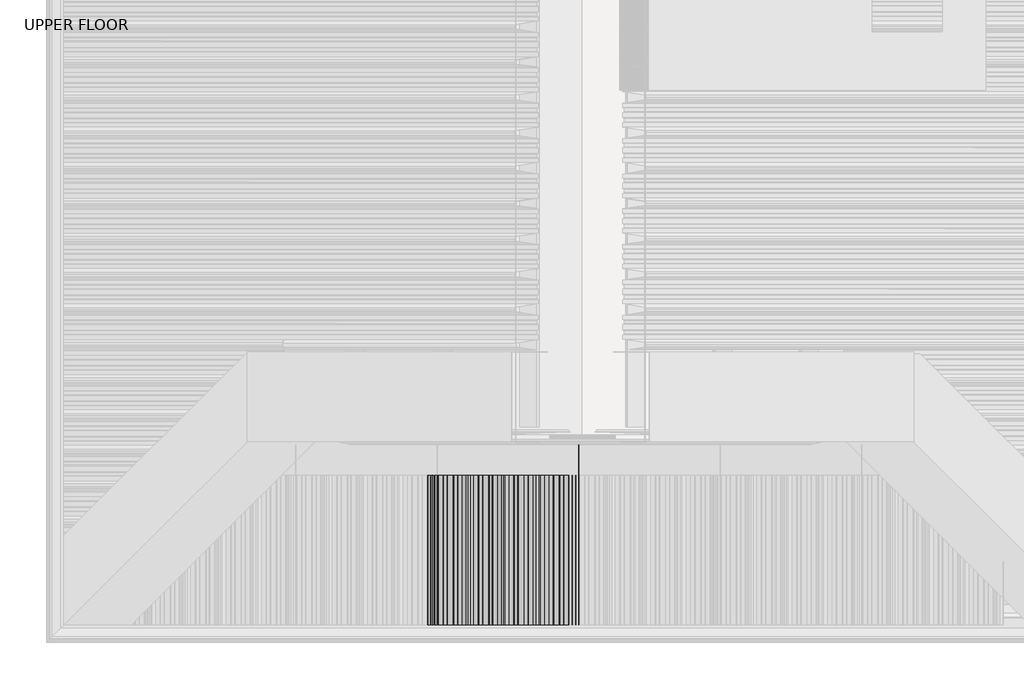
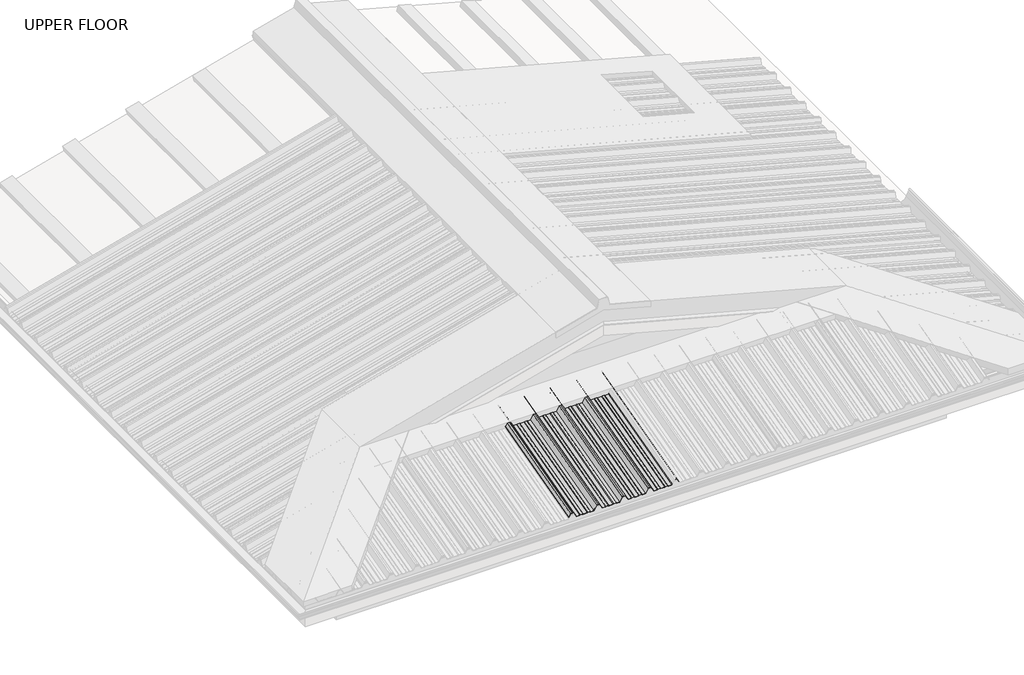
# One storey, part 7 of 21: 1 beam.
"""IFC4 building model written with IfcOpenShell, lengths in millimetres."""

from ifc_helpers import new_model, si_unit, frame, origin, place, context, project, spatial, circle_curve, ellipse_curve, element, save
from ifc_brep_helpers import plane_surface, cylinder_surface, advanced_brep

model = new_model("IFC4")

# Units and contexts
model_context = context("Model", 3, world=origin())
ifc_project = project(units=[si_unit("LENGTHUNIT", "METRE", prefix="MILLI")], contexts=[model_context])

# Site, building, storey
site = spatial("IfcSite", under=ifc_project)
building = spatial("IfcBuilding", under=site)
storey = spatial("IfcBuildingStorey", under=building, Name="UPPER FLOOR", Elevation=2700.0)

# Beam
placement = place(None, origin())
element("IfcBeam", 1, ObjectType="MC700", at=placement, inside=storey, context=model_context, shape_type="AdvancedBrep", body=[
    advanced_brep(
    [(1687.7151918, -3756.7074872, 3502.2532241), (1683.3348741, -3757.2355366, 3504.2239314), (1666.9068828, -3757.2355366, 3504.2239314), (1663.6918386, -3756.7074872, 3502.2532241), (1640.9942011, -3756.7074872, 3502.2532241), (1622.9196911, -3764.7308776, 3532.1969247), (1612.4942026, -3764.7308776, 3532.1969247), (1602.0687142, -3764.7308776, 3532.1969247), (1583.9942042, -3756.7074872, 3502.2532241), (1561.2965667, -3756.7074872, 3502.2532241), (1558.0815225, -3757.2355366, 3504.2239314), (1541.6535312, -3757.2355366, 3504.2239314), (1537.2732135, -3756.7074872, 3502.2532241), (1510.2151918, -3756.7074872, 3502.2532241), (1505.8348741, -3757.2355366, 3504.2239314), (1489.4068828, -3757.2355366, 3504.2239314), (1486.1918386, -3756.7074872, 3502.2532241), (1463.4942011, -3756.7074872, 3502.2532241), (1445.4196911, -3764.7308776, 3532.1969247), (1434.9942026, -3764.7308776, 3532.1969247), (1424.5687142, -3764.7308776, 3532.1969247), (1406.4942042, -3756.7074872, 3502.2532241), (1383.7965667, -3756.7074872, 3502.2532241), (1380.5815225, -3757.2355366, 3504.2239314), (1364.1535312, -3757.2355366, 3504.2239314), (1359.7732135, -3756.7074872, 3502.2532241), (1332.7151918, -3756.7074872, 3502.2532241), (1328.3348741, -3757.2355366, 3504.2239314), (1311.9068828, -3757.2355366, 3504.2239314), (1308.6918386, -3756.7074872, 3502.2532241), (1285.9942011, -3756.7074872, 3502.2532241), (1267.9196911, -3764.7308776, 3532.1969247), (1257.4942026, -3764.7308776, 3532.1969247), (1247.0687142, -3764.7308776, 3532.1969247), (1234.7658996, -3759.2695796, 3511.8150832), (1233.9020137, -3759.3999436, 3512.301608), (1246.4942026, -3764.9896966, 3533.1628505), (1257.4942026, -3764.9896966, 3533.1628505), (1268.4942026, -3764.9896966, 3533.1628505), (1286.5687126, -3756.9663062, 3503.2191499), (1308.4013241, -3756.9663062, 3503.2191499), (1311.6163683, -3757.4943557, 3505.1898572), (1328.5563376, -3757.4943557, 3505.1898572), (1332.9366553, -3756.9663062, 3503.2191499), (1359.55175, -3756.9663062, 3503.2191499), (1363.9320677, -3757.4943557, 3505.1898572), (1380.872037, -3757.4943557, 3505.1898572), (1384.0870812, -3756.9663062, 3503.2191499), (1405.9196927, -3756.9663062, 3503.2191499), (1423.9942026, -3764.9896966, 3533.1628505), (1434.9942026, -3764.9896966, 3533.1628505), (1445.9942026, -3764.9896966, 3533.1628505), (1464.0687126, -3756.9663062, 3503.2191499), (1485.9013241, -3756.9663062, 3503.2191499), (1489.1163683, -3757.4943557, 3505.1898572), (1506.0563376, -3757.4943557, 3505.1898572), (1510.4366553, -3756.9663062, 3503.2191499), (1537.05175, -3756.9663062, 3503.2191499), (1541.4320677, -3757.4943557, 3505.1898572), (1558.372037, -3757.4943557, 3505.1898572), (1561.5870812, -3756.9663062, 3503.2191499), (1583.4196927, -3756.9663062, 3503.2191499), (1601.4942026, -3764.9896966, 3533.1628505), (1612.4942026, -3764.9896966, 3533.1628505), (1623.4942026, -3764.9896966, 3533.1628505), (1641.5687126, -3756.9663062, 3503.2191499), (1663.4013241, -3756.9663062, 3503.2191499), (1666.6163683, -3757.4943557, 3505.1898572), (1683.5563376, -3757.4943557, 3505.1898572), (1687.9366553, -3756.9663062, 3503.2191499), (1714.55175, -3756.9663062, 3503.2191499), (1718.9320677, -3757.4943557, 3505.1898572), (1735.872037, -3757.4943557, 3505.1898572), (1739.0870812, -3756.9663062, 3503.2191499), (1760.9196927, -3756.9663062, 3503.2191499), (1778.9942026, -3764.9896966, 3533.1628505), (1789.9942026, -3764.9896966, 3533.1628505), (1800.9942026, -3764.9896966, 3533.1628505), (1819.0687126, -3756.9663062, 3503.2191499), (1840.9013241, -3756.9663062, 3503.2191499), (1844.1163683, -3757.4943557, 3505.1898572), (1861.0563376, -3757.4943557, 3505.1898572), (1865.4366553, -3756.9663062, 3503.2191499), (1892.05175, -3756.9663062, 3503.2191499), (1896.4320677, -3757.4943557, 3505.1898572), (1913.372037, -3757.4943557, 3505.1898572), (1916.5870812, -3756.9663062, 3503.2191499), (1940.7348132, -3756.9663062, 3503.2191499), (1957.6432258, -3764.4720586, 3531.2309989), (1977.3451795, -3764.4720586, 3531.2309989), (1991.7906953, -3758.0596019, 3507.2993847), (1990.9268094, -3757.9292379, 3506.8128599), (1976.7706679, -3764.2132395, 3530.265073), (1958.2177374, -3764.2132395, 3530.265073), (1941.3093248, -3756.7074872, 3502.2532241), (1916.2965667, -3756.7074872, 3502.2532241), (1913.0815225, -3757.2355366, 3504.2239314), (1896.6535312, -3757.2355366, 3504.2239314), (1892.2732135, -3756.7074872, 3502.2532241), (1865.2151918, -3756.7074872, 3502.2532241), (1860.8348741, -3757.2355366, 3504.2239314), (1844.4068828, -3757.2355366, 3504.2239314), (1841.1918386, -3756.7074872, 3502.2532241), (1818.4942011, -3756.7074872, 3502.2532241), (1800.4196911, -3764.7308776, 3532.1969247), (1789.9942026, -3764.7308776, 3532.1969247), (1779.5687142, -3764.7308776, 3532.1969247), (1761.4942042, -3756.7074872, 3502.2532241), (1738.7965667, -3756.7074872, 3502.2532241), (1735.5815225, -3757.2355366, 3504.2239314), (1719.1535312, -3757.2355366, 3504.2239314), (1714.7732135, -3756.7074872, 3502.2532241), (1687.7151918, -4660.4975954, 3260.0833945), (1683.3348741, -4660.4975954, 3262.1955922), (1666.9068828, -4660.4975954, 3262.1955922), (1663.6918386, -4660.4975954, 3260.0833945), (1640.9942011, -4660.4975954, 3260.0833945), (1622.9196911, -4660.4975954, 3292.176956), (1612.4942026, -4660.4975954, 3292.176956), (1602.0687142, -4660.4975954, 3292.176956), (1583.9942042, -4660.4975954, 3260.0833945), (1561.2965667, -4660.4975954, 3260.0833945), (1558.0815225, -4660.4975954, 3262.1955922), (1541.6535312, -4660.4975954, 3262.1955922), (1537.2732135, -4660.4975954, 3260.0833945), (1510.2151918, -4660.4975954, 3260.0833945), (1505.8348741, -4660.4975954, 3262.1955922), (1489.4068828, -4660.4975954, 3262.1955922), (1486.1918386, -4660.4975954, 3260.0833945), (1463.4942011, -4660.4975954, 3260.0833945), (1445.4196911, -4660.4975954, 3292.176956), (1434.9942026, -4660.4975954, 3292.176956), (1424.5687142, -4660.4975954, 3292.176956), (1406.4942042, -4660.4975954, 3260.0833945), (1383.7965667, -4660.4975954, 3260.0833945), (1380.5815225, -4660.4975954, 3262.1955922), (1364.1535312, -4660.4975954, 3262.1955922), (1359.7732135, -4660.4975954, 3260.0833945), (1332.7151918, -4660.4975954, 3260.0833945), (1328.3348741, -4660.4975954, 3262.1955922), (1311.9068828, -4660.4975954, 3262.1955922), (1308.6918386, -4660.4975954, 3260.0833945), (1285.9942011, -4660.4975954, 3260.0833945), (1267.9196911, -4660.4975954, 3292.176956), (1257.4942026, -4660.4975954, 3292.176956), (1247.0687142, -4660.4975954, 3292.176956), (1234.7658996, -4660.4975954, 3270.3317642), (1233.9020137, -4660.4975954, 3270.8532199), (1246.4942026, -4660.4975954, 3293.2122322), (1257.4942026, -4660.4975954, 3293.2122322), (1268.4942026, -4660.4975954, 3293.2122322), (1286.5687126, -4660.4975954, 3261.1186706), (1308.4013241, -4660.4975954, 3261.1186706), (1311.6163683, -4660.4975954, 3263.2308683), (1328.5563376, -4660.4975954, 3263.2308683), (1332.9366553, -4660.4975954, 3261.1186706), (1359.55175, -4660.4975954, 3261.1186706), (1363.9320677, -4660.4975954, 3263.2308683), (1380.872037, -4660.4975954, 3263.2308683), (1384.0870812, -4660.4975954, 3261.1186706), (1405.9196927, -4660.4975954, 3261.1186706), (1423.9942026, -4660.4975954, 3293.2122322), (1434.9942026, -4660.4975954, 3293.2122322), (1445.9942026, -4660.4975954, 3293.2122322), (1464.0687126, -4660.4975954, 3261.1186706), (1485.9013241, -4660.4975954, 3261.1186706), (1489.1163683, -4660.4975954, 3263.2308683), (1506.0563376, -4660.4975954, 3263.2308683), (1510.4366553, -4660.4975954, 3261.1186706), (1537.05175, -4660.4975954, 3261.1186706), (1541.4320677, -4660.4975954, 3263.2308683), (1558.372037, -4660.4975954, 3263.2308683), (1561.5870812, -4660.4975954, 3261.1186706), (1583.4196927, -4660.4975954, 3261.1186706), (1601.4942026, -4660.4975954, 3293.2122322), (1612.4942026, -4660.4975954, 3293.2122322), (1623.4942026, -4660.4975954, 3293.2122322), (1641.5687126, -4660.4975954, 3261.1186706), (1663.4013241, -4660.4975954, 3261.1186706), (1666.6163683, -4660.4975954, 3263.2308683), (1683.5563376, -4660.4975954, 3263.2308683), (1687.9366553, -4660.4975954, 3261.1186706), (1714.55175, -4660.4975954, 3261.1186706), (1718.9320677, -4660.4975954, 3263.2308683), (1735.872037, -4660.4975954, 3263.2308683), (1739.0870812, -4660.4975954, 3261.1186706), (1760.9196927, -4660.4975954, 3261.1186706), (1778.9942026, -4660.4975954, 3293.2122322), (1789.9942026, -4660.4975954, 3293.2122322), (1800.9942026, -4660.4975954, 3293.2122322), (1819.0687126, -4660.4975954, 3261.1186706), (1840.9013241, -4660.4975954, 3261.1186706), (1844.1163683, -4660.4975954, 3263.2308683), (1861.0563376, -4660.4975954, 3263.2308683), (1865.4366553, -4660.4975954, 3261.1186706), (1892.05175, -4660.4975954, 3261.1186706), (1896.4320677, -4660.4975954, 3263.2308683), (1913.372037, -4660.4975954, 3263.2308683), (1916.5870812, -4660.4975954, 3261.1186706), (1940.7348132, -4660.4975954, 3261.1186706), (1957.6432258, -4660.4975954, 3291.1416799), (1977.3451795, -4660.4975954, 3291.1416799), (1991.7906953, -4660.4975954, 3265.4918531), (1990.9268094, -4660.4975954, 3264.9703974), (1976.7706679, -4660.4975954, 3290.1064037), (1958.2177374, -4660.4975954, 3290.1064037), (1941.3093248, -4660.4975954, 3260.0833945), (1916.2965667, -4660.4975954, 3260.0833945), (1913.0815225, -4660.4975954, 3262.1955922), (1896.6535312, -4660.4975954, 3262.1955922), (1892.2732135, -4660.4975954, 3260.0833945), (1865.2151918, -4660.4975954, 3260.0833945), (1860.8348741, -4660.4975954, 3262.1955922), (1844.4068828, -4660.4975954, 3262.1955922), (1841.1918386, -4660.4975954, 3260.0833945), (1818.4942011, -4660.4975954, 3260.0833945), (1800.4196911, -4660.4975954, 3292.176956), (1789.9942026, -4660.4975954, 3292.176956), (1779.5687142, -4660.4975954, 3292.176956), (1761.4942042, -4660.4975954, 3260.0833945), (1738.7965667, -4660.4975954, 3260.0833945), (1735.5815225, -4660.4975954, 3262.1955922), (1719.1535312, -4660.4975954, 3262.1955922), (1714.7732135, -4660.4975954, 3260.0833945)],
    [
        (0, 1),
        (1, 2),
        (2, 3),
        (3, 4),
        (4, 5),
        (5, 6),
        (6, 7),
        (7, 8),
        (8, 9),
        (9, 10),
        (10, 11),
        (11, 12),
        (12, 13),
        (13, 14),
        (14, 15),
        (15, 16),
        (16, 17),
        (17, 18),
        (18, 19),
        (19, 20),
        (20, 21),
        (21, 22),
        (22, 23),
        (23, 24),
        (24, 25),
        (25, 26),
        (26, 27),
        (27, 28),
        (28, 29),
        (29, 30),
        (30, 31),
        (31, 32),
        (32, 33),
        (33, 34),
        (34, 35, circle_curve(frame((1234.3339567, -3759.3347616, 3512.0583456), z_axis=(0.0, 0.9659258262890683, 0.2588190451025206), x_axis=(-1.0000000000000002, 0.0, 0.0)), 0.5)),
        (35, 36),
        (36, 37),
        (37, 38),
        (38, 39),
        (39, 40),
        (40, 41),
        (41, 42),
        (42, 43),
        (43, 44),
        (44, 45),
        (45, 46),
        (46, 47),
        (47, 48),
        (48, 49),
        (49, 50),
        (50, 51),
        (51, 52),
        (52, 53),
        (53, 54),
        (54, 55),
        (55, 56),
        (56, 57),
        (57, 58),
        (58, 59),
        (59, 60),
        (60, 61),
        (61, 62),
        (62, 63),
        (63, 64),
        (64, 65),
        (65, 66),
        (66, 67),
        (67, 68),
        (68, 69),
        (69, 70),
        (70, 71),
        (71, 72),
        (72, 73),
        (73, 74),
        (74, 75),
        (75, 76),
        (76, 77),
        (77, 78),
        (78, 79),
        (79, 80),
        (80, 81),
        (81, 82),
        (82, 83),
        (83, 84),
        (84, 85),
        (85, 86),
        (86, 87),
        (87, 88),
        (88, 89),
        (89, 90),
        (90, 91, circle_curve(frame((1991.3587523, -3757.9944199, 3507.0561223), z_axis=(0.0, 0.9659258262890683, 0.2588190451025206), x_axis=(-1.0000000000000002, 0.0, 0.0)), 0.5)),
        (91, 92),
        (92, 93),
        (93, 94),
        (94, 95),
        (95, 96),
        (96, 97),
        (97, 98),
        (98, 99),
        (99, 100),
        (100, 101),
        (101, 102),
        (102, 103),
        (103, 104),
        (104, 105),
        (105, 106),
        (106, 107),
        (107, 108),
        (108, 109),
        (109, 110),
        (110, 111),
        (111, 0),
        (0, 112),
        (112, 113),
        (113, 1),
        (113, 114),
        (114, 2),
        (114, 115),
        (115, 3),
        (115, 116),
        (116, 4),
        (116, 117),
        (117, 5),
        (117, 118),
        (118, 6),
        (118, 119),
        (119, 7),
        (119, 120),
        (120, 8),
        (120, 121),
        (121, 9),
        (121, 122),
        (122, 10),
        (122, 123),
        (123, 11),
        (123, 124),
        (124, 12),
        (124, 125),
        (125, 13),
        (125, 126),
        (126, 14),
        (126, 127),
        (127, 15),
        (127, 128),
        (128, 16),
        (128, 129),
        (129, 17),
        (129, 130),
        (130, 18),
        (130, 131),
        (131, 19),
        (131, 132),
        (132, 20),
        (132, 133),
        (133, 21),
        (133, 134),
        (134, 22),
        (134, 135),
        (135, 23),
        (135, 136),
        (136, 24),
        (136, 137),
        (137, 25),
        (137, 138),
        (138, 26),
        (138, 139),
        (139, 27),
        (139, 140),
        (140, 28),
        (140, 141),
        (141, 29),
        (141, 142),
        (142, 30),
        (142, 143),
        (143, 31),
        (143, 144),
        (144, 32),
        (144, 145),
        (145, 33),
        (145, 146),
        (146, 34),
        (146, 147, ellipse_curve(frame((1234.3339567, -4660.4975954, 3270.5924921), z_axis=(0.0, 1.0, 0.0), x_axis=(0.0, 0.0, 1.0)), 0.5176381, 0.5)),
        (147, 35),
        (147, 148),
        (148, 36),
        (148, 149),
        (149, 37),
        (149, 150),
        (150, 38),
        (150, 151),
        (151, 39),
        (151, 152),
        (152, 40),
        (152, 153),
        (153, 41),
        (153, 154),
        (154, 42),
        (154, 155),
        (155, 43),
        (155, 156),
        (156, 44),
        (156, 157),
        (157, 45),
        (157, 158),
        (158, 46),
        (158, 159),
        (159, 47),
        (159, 160),
        (160, 48),
        (160, 161),
        (161, 49),
        (161, 162),
        (162, 50),
        (162, 163),
        (163, 51),
        (163, 164),
        (164, 52),
        (164, 165),
        (165, 53),
        (165, 166),
        (166, 54),
        (166, 167),
        (167, 55),
        (167, 168),
        (168, 56),
        (168, 169),
        (169, 57),
        (169, 170),
        (170, 58),
        (170, 171),
        (171, 59),
        (171, 172),
        (172, 60),
        (172, 173),
        (173, 61),
        (173, 174),
        (174, 62),
        (174, 175),
        (175, 63),
        (175, 176),
        (176, 64),
        (176, 177),
        (177, 65),
        (177, 178),
        (178, 66),
        (178, 179),
        (179, 67),
        (179, 180),
        (180, 68),
        (180, 181),
        (181, 69),
        (181, 182),
        (182, 70),
        (182, 183),
        (183, 71),
        (183, 184),
        (184, 72),
        (184, 185),
        (185, 73),
        (185, 186),
        (186, 74),
        (186, 187),
        (187, 75),
        (187, 188),
        (188, 76),
        (188, 189),
        (189, 77),
        (189, 190),
        (190, 78),
        (190, 191),
        (191, 79),
        (191, 192),
        (192, 80),
        (192, 193),
        (193, 81),
        (193, 194),
        (194, 82),
        (194, 195),
        (195, 83),
        (195, 196),
        (196, 84),
        (196, 197),
        (197, 85),
        (197, 198),
        (198, 86),
        (198, 199),
        (199, 87),
        (199, 200),
        (200, 88),
        (200, 201),
        (201, 89),
        (201, 202),
        (202, 90),
        (202, 203, ellipse_curve(frame((1991.3587523, -4660.4975954, 3265.2311252), z_axis=(0.0, 1.0, 0.0), x_axis=(0.0, 0.0, 1.0)), 0.5176381, 0.5)),
        (203, 91),
        (203, 204),
        (204, 92),
        (204, 205),
        (205, 93),
        (205, 206),
        (206, 94),
        (206, 207),
        (207, 95),
        (207, 208),
        (208, 96),
        (208, 209),
        (209, 97),
        (209, 210),
        (210, 98),
        (210, 211),
        (211, 99),
        (211, 212),
        (212, 100),
        (212, 213),
        (213, 101),
        (213, 214),
        (214, 102),
        (214, 215),
        (215, 103),
        (215, 216),
        (216, 104),
        (216, 217),
        (217, 105),
        (217, 218),
        (218, 106),
        (218, 219),
        (219, 107),
        (219, 220),
        (220, 108),
        (220, 221),
        (221, 109),
        (221, 222),
        (222, 110),
        (222, 223),
        (223, 111),
        (223, 112),
    ],
    [
        plane_surface(frame((1687.7151918, -3756.7074872, 3502.2532241), z_axis=(0.0, 0.9659258262890685, 0.25881904510252035), x_axis=(-0.9064939238095152, -0.10927828227881019, 0.40783210162838035))),
        plane_surface(frame((1687.7151918, -3756.7074872, 3502.2532241), z_axis=(-0.42221886042244594, 0.2346178917516165, -0.8756058923817255), x_axis=(0.0, -0.9659258262890683, -0.2588190451025206))),
        plane_surface(frame((1683.3348741, -3757.2355366, 3504.2239314), z_axis=(0.0, 0.2588190451025206, -0.9659258262890683), x_axis=(0.0, -0.9659258262890683, -0.2588190451025206))),
        plane_surface(frame((1666.9068828, -3757.2355366, 3504.2239314), z_axis=(0.5358075541289592, 0.2185313076918755, -0.8155699433505511), x_axis=(0.0, -0.9659258262890683, -0.2588190451025206))),
        plane_surface(frame((1663.6918386, -3756.7074872, 3502.2532241), z_axis=(0.0, 0.2588190451025206, -0.9659258262890683), x_axis=(0.0, -0.9659258262890683, -0.2588190451025206))),
        plane_surface(frame((1640.9942011, -3756.7074872, 3502.2532241), z_axis=(-0.8638858976217886, 0.13036393274178826, -0.4865248204668401), x_axis=(0.0, -0.9659258262890683, -0.2588190451025206))),
        plane_surface(frame((1622.9196911, -3764.7308776, 3532.1969247), z_axis=(0.0, 0.2588190451025206, -0.9659258262890683), x_axis=(0.0, -0.9659258262890683, -0.2588190451025206))),
        plane_surface(frame((1612.4942026, -3764.7308776, 3532.1969247), z_axis=(0.0, 0.2588190451025206, -0.9659258262890683), x_axis=(0.0, -0.9659258262890683, -0.2588190451025206))),
        plane_surface(frame((1602.0687142, -3764.7308776, 3532.1969247), z_axis=(0.8638858976217945, 0.13036393274178268, -0.4865248204668312), x_axis=(0.0, -0.9659258262890683, -0.2588190451025206))),
        plane_surface(frame((1583.9942042, -3756.7074872, 3502.2532241), z_axis=(0.0, 0.2588190451025206, -0.9659258262890683), x_axis=(0.0, -0.9659258262890683, -0.2588190451025206))),
        plane_surface(frame((1561.2965667, -3756.7074872, 3502.2532241), z_axis=(-0.5358075541289464, 0.21853130769187948, -0.8155699433505585), x_axis=(0.0, -0.9659258262890683, -0.2588190451025206))),
        plane_surface(frame((1558.0815225, -3757.2355366, 3504.2239314), z_axis=(0.0, 0.2588190451025206, -0.9659258262890683), x_axis=(0.0, -0.9659258262890683, -0.2588190451025206))),
        plane_surface(frame((1541.6535312, -3757.2355366, 3504.2239314), z_axis=(0.42221886042244317, 0.23461789175161535, -0.8756058923817271), x_axis=(0.0, -0.9659258262890683, -0.2588190451025206))),
        plane_surface(frame((1537.2732135, -3756.7074872, 3502.2532241), z_axis=(0.0, 0.2588190451025206, -0.9659258262890683), x_axis=(0.0, -0.9659258262890683, -0.2588190451025206))),
        plane_surface(frame((1510.2151918, -3756.7074872, 3502.2532241), z_axis=(-0.42221886042244317, 0.23461789175161676, -0.8756058923817267), x_axis=(0.0, -0.9659258262890683, -0.2588190451025206))),
        plane_surface(frame((1505.8348741, -3757.2355366, 3504.2239314), z_axis=(0.0, 0.2588190451025206, -0.9659258262890683), x_axis=(0.0, -0.9659258262890683, -0.2588190451025206))),
        plane_surface(frame((1489.4068828, -3757.2355366, 3504.2239314), z_axis=(0.5358075541289593, 0.21853130769187554, -0.8155699433505511), x_axis=(0.0, -0.9659258262890683, -0.2588190451025206))),
        plane_surface(frame((1486.1918386, -3756.7074872, 3502.2532241), z_axis=(0.0, 0.2588190451025206, -0.9659258262890683), x_axis=(0.0, -0.9659258262890683, -0.2588190451025206))),
        plane_surface(frame((1463.4942011, -3756.7074872, 3502.2532241), z_axis=(-0.8638858976217886, 0.1303639327417882, -0.4865248204668401), x_axis=(0.0, -0.9659258262890683, -0.2588190451025206))),
        plane_surface(frame((1445.4196911, -3764.7308776, 3532.1969247), z_axis=(0.0, 0.2588190451025206, -0.9659258262890683), x_axis=(0.0, -0.9659258262890683, -0.2588190451025206))),
        plane_surface(frame((1434.9942026, -3764.7308776, 3532.1969247), z_axis=(0.0, 0.2588190451025206, -0.9659258262890683), x_axis=(0.0, -0.9659258262890683, -0.2588190451025206))),
        plane_surface(frame((1424.5687142, -3764.7308776, 3532.1969247), z_axis=(0.8638858976217945, 0.13036393274178276, -0.4865248204668313), x_axis=(0.0, -0.9659258262890683, -0.2588190451025206))),
        plane_surface(frame((1406.4942042, -3756.7074872, 3502.2532241), z_axis=(0.0, 0.2588190451025206, -0.9659258262890683), x_axis=(0.0, -0.9659258262890683, -0.2588190451025206))),
        plane_surface(frame((1383.7965667, -3756.7074872, 3502.2532241), z_axis=(-0.53580755412894, 0.21853130769188048, -0.8155699433505624), x_axis=(0.0, -0.9659258262890683, -0.2588190451025206))),
        plane_surface(frame((1380.5815225, -3757.2355366, 3504.2239314), z_axis=(0.0, 0.2588190451025206, -0.9659258262890683), x_axis=(0.0, -0.9659258262890683, -0.2588190451025206))),
        plane_surface(frame((1364.1535312, -3757.2355366, 3504.2239314), z_axis=(0.42221886042244033, 0.23461789175161574, -0.8756058923817285), x_axis=(0.0, -0.9659258262890683, -0.2588190451025206))),
        plane_surface(frame((1359.7732135, -3756.7074872, 3502.2532241), z_axis=(0.0, 0.2588190451025206, -0.9659258262890683), x_axis=(0.0, -0.9659258262890683, -0.2588190451025206))),
        plane_surface(frame((1332.7151918, -3756.7074872, 3502.2532241), z_axis=(-0.42221886042244317, 0.23461789175161682, -0.8756058923817267), x_axis=(0.0, -0.9659258262890683, -0.2588190451025206))),
        plane_surface(frame((1328.3348741, -3757.2355366, 3504.2239314), z_axis=(0.0, 0.2588190451025206, -0.9659258262890683), x_axis=(0.0, -0.9659258262890683, -0.2588190451025206))),
        plane_surface(frame((1311.9068828, -3757.2355366, 3504.2239314), z_axis=(0.5358075541289592, 0.21853130769187545, -0.8155699433505511), x_axis=(0.0, -0.9659258262890683, -0.2588190451025206))),
        plane_surface(frame((1308.6918386, -3756.7074872, 3502.2532241), z_axis=(0.0, 0.2588190451025206, -0.9659258262890683), x_axis=(0.0, -0.9659258262890683, -0.2588190451025206))),
        plane_surface(frame((1285.9942011, -3756.7074872, 3502.2532241), z_axis=(-0.8638858976217886, 0.1303639327417882, -0.4865248204668401), x_axis=(0.0, -0.9659258262890683, -0.2588190451025206))),
        plane_surface(frame((1267.9196911, -3764.7308776, 3532.1969247), z_axis=(0.0, 0.2588190451025206, -0.9659258262890683), x_axis=(0.0, -0.9659258262890683, -0.2588190451025206))),
        plane_surface(frame((1257.4942026, -3764.7308776, 3532.1969247), z_axis=(0.0, 0.2588190451025205, -0.9659258262890683), x_axis=(0.0, -0.9659258262890683, -0.2588190451025205))),
        plane_surface(frame((1247.0687142, -3764.7308776, 3532.1969247), z_axis=(0.863885897621789, 0.13036393274178507, -0.48652482046684037), x_axis=(0.0, -0.9659258262890683, -0.2588190451025206))),
        cylinder_surface(frame((1234.3339567, -4672.135119, 3267.474227), z_axis=(0.0, 0.9659258262890683, 0.2588190451025206), x_axis=(-1.0000000000000002, 0.0, 0.0)), 0.5),
        plane_surface(frame((1233.9020137, -3759.3999436, 3512.301608), z_axis=(-0.8638858976218092, -0.1303639327417763, 0.48652482046680706), x_axis=(0.0, -0.9659258262890683, -0.25881904510252063))),
        plane_surface(frame((1246.4942026, -3764.9896966, 3533.1628505), z_axis=(0.0, -0.2588190451025205, 0.9659258262890683), x_axis=(0.0, -0.9659258262890683, -0.2588190451025205))),
        plane_surface(frame((1257.4942026, -3764.9896966, 3533.1628505), z_axis=(0.0, -0.2588190451025206, 0.9659258262890683), x_axis=(0.0, -0.9659258262890683, -0.2588190451025206))),
        plane_surface(frame((1268.4942026, -3764.9896966, 3533.1628505), z_axis=(0.8638858976217886, -0.13036393274178834, 0.48652482046684004), x_axis=(0.0, -0.9659258262890683, -0.25881904510252063))),
        plane_surface(frame((1286.5687126, -3756.9663062, 3503.2191499), z_axis=(0.0, -0.2588190451025206, 0.9659258262890683), x_axis=(0.0, -0.9659258262890683, -0.2588190451025206))),
        plane_surface(frame((1308.4013241, -3756.9663062, 3503.2191499), z_axis=(-0.5358075541289432, -0.21853130769187817, 0.8155699433505609), x_axis=(0.0, -0.9659258262890683, -0.2588190451025206))),
        plane_surface(frame((1311.6163683, -3757.4943557, 3505.1898572), z_axis=(0.0, -0.2588190451025206, 0.9659258262890683), x_axis=(0.0, -0.9659258262890683, -0.2588190451025206))),
        plane_surface(frame((1328.5563376, -3757.4943557, 3505.1898572), z_axis=(0.42221886042244605, -0.2346178917516165, 0.8756058923817254), x_axis=(0.0, -0.9659258262890683, -0.25881904510252063))),
        plane_surface(frame((1332.9366553, -3756.9663062, 3503.2191499), z_axis=(0.0, -0.2588190451025206, 0.9659258262890683), x_axis=(0.0, -0.9659258262890683, -0.2588190451025206))),
        plane_surface(frame((1359.55175, -3756.9663062, 3503.2191499), z_axis=(-0.4222188604224378, -0.23461789175161601, 0.8756058923817296), x_axis=(0.0, -0.9659258262890683, -0.2588190451025206))),
        plane_surface(frame((1363.9320677, -3757.4943557, 3505.1898572), z_axis=(0.0, -0.2588190451025206, 0.9659258262890683), x_axis=(0.0, -0.9659258262890683, -0.2588190451025206))),
        plane_surface(frame((1380.872037, -3757.4943557, 3505.1898572), z_axis=(0.5358075541289593, -0.21853130769187734, 0.8155699433505507), x_axis=(0.0, -0.9659258262890683, -0.2588190451025206))),
        plane_surface(frame((1384.0870812, -3756.9663062, 3503.2191499), z_axis=(0.0, -0.2588190451025206, 0.9659258262890683), x_axis=(0.0, -0.9659258262890683, -0.2588190451025206))),
        plane_surface(frame((1405.9196927, -3756.9663062, 3503.2191499), z_axis=(-0.8638858976217945, -0.13036393274178268, 0.4865248204668312), x_axis=(0.0, -0.9659258262890683, -0.2588190451025206))),
        plane_surface(frame((1423.9942026, -3764.9896966, 3533.1628505), z_axis=(0.0, -0.2588190451025206, 0.9659258262890683), x_axis=(0.0, -0.9659258262890683, -0.2588190451025206))),
        plane_surface(frame((1434.9942026, -3764.9896966, 3533.1628505), z_axis=(0.0, -0.2588190451025206, 0.9659258262890683), x_axis=(0.0, -0.9659258262890683, -0.2588190451025206))),
        plane_surface(frame((1445.9942026, -3764.9896966, 3533.1628505), z_axis=(0.8638858976217904, -0.1303639327417875, 0.4865248204668373), x_axis=(0.0, -0.9659258262890683, -0.2588190451025206))),
        plane_surface(frame((1464.0687126, -3756.9663062, 3503.2191499), z_axis=(0.0, -0.2588190451025206, 0.9659258262890683), x_axis=(0.0, -0.9659258262890683, -0.2588190451025206))),
        plane_surface(frame((1485.9013241, -3756.9663062, 3503.2191499), z_axis=(-0.5358075541289592, -0.2185313076918755, 0.8155699433505511), x_axis=(0.0, -0.9659258262890683, -0.2588190451025206))),
        plane_surface(frame((1489.1163683, -3757.4943557, 3505.1898572), z_axis=(0.0, -0.2588190451025206, 0.9659258262890683), x_axis=(0.0, -0.9659258262890683, -0.2588190451025206))),
        plane_surface(frame((1506.0563376, -3757.4943557, 3505.1898572), z_axis=(0.42221886042245393, -0.2346178917516155, 0.8756058923817218), x_axis=(0.0, -0.9659258262890683, -0.2588190451025206))),
        plane_surface(frame((1510.4366553, -3756.9663062, 3503.2191499), z_axis=(0.0, -0.2588190451025206, 0.9659258262890683), x_axis=(0.0, -0.9659258262890683, -0.2588190451025206))),
        plane_surface(frame((1537.05175, -3756.9663062, 3503.2191499), z_axis=(-0.4222188604224407, -0.23461789175161568, 0.8756058923817283), x_axis=(0.0, -0.9659258262890683, -0.2588190451025206))),
        plane_surface(frame((1541.4320677, -3757.4943557, 3505.1898572), z_axis=(0.0, -0.2588190451025206, 0.9659258262890683), x_axis=(0.0, -0.9659258262890683, -0.2588190451025206))),
        plane_surface(frame((1558.372037, -3757.4943557, 3505.1898572), z_axis=(0.5358075541289656, -0.21853130769187631, 0.8155699433505468), x_axis=(0.0, -0.9659258262890683, -0.2588190451025206))),
        plane_surface(frame((1561.5870812, -3756.9663062, 3503.2191499), z_axis=(0.0, -0.2588190451025206, 0.9659258262890683), x_axis=(0.0, -0.9659258262890683, -0.2588190451025206))),
        plane_surface(frame((1583.4196927, -3756.9663062, 3503.2191499), z_axis=(-0.8638858976217904, -0.13036393274178446, 0.48652482046683787), x_axis=(0.0, -0.9659258262890683, -0.2588190451025206))),
        plane_surface(frame((1601.4942026, -3764.9896966, 3533.1628505), z_axis=(0.0, -0.2588190451025206, 0.9659258262890683), x_axis=(0.0, -0.9659258262890683, -0.2588190451025206))),
        plane_surface(frame((1612.4942026, -3764.9896966, 3533.1628505), z_axis=(0.0, -0.2588190451025206, 0.9659258262890683), x_axis=(0.0, -0.9659258262890683, -0.2588190451025206))),
        plane_surface(frame((1623.4942026, -3764.9896966, 3533.1628505), z_axis=(0.8638858976217879, -0.13036393274178862, 0.48652482046684137), x_axis=(0.0, -0.9659258262890683, -0.2588190451025206))),
        plane_surface(frame((1641.5687126, -3756.9663062, 3503.2191499), z_axis=(0.0, -0.2588190451025206, 0.9659258262890683), x_axis=(0.0, -0.9659258262890683, -0.2588190451025206))),
        plane_surface(frame((1663.4013241, -3756.9663062, 3503.2191499), z_axis=(-0.5358075541289553, -0.21853130769187623, 0.8155699433505538), x_axis=(0.0, -0.9659258262890683, -0.2588190451025206))),
        plane_surface(frame((1666.6163683, -3757.4943557, 3505.1898572), z_axis=(0.0, -0.2588190451025206, 0.9659258262890683), x_axis=(0.0, -0.9659258262890683, -0.2588190451025206))),
        plane_surface(frame((1683.5563376, -3757.4943557, 3505.1898572), z_axis=(0.42221886042244594, -0.2346178917516165, 0.8756058923817255), x_axis=(0.0, -0.9659258262890683, -0.2588190451025206))),
        plane_surface(frame((1687.9366553, -3756.9663062, 3503.2191499), z_axis=(0.0, -0.2588190451025206, 0.9659258262890683), x_axis=(0.0, -0.9659258262890683, -0.2588190451025206))),
        plane_surface(frame((1714.55175, -3756.9663062, 3503.2191499), z_axis=(-0.42221886042244855, -0.23461789175161474, 0.8756058923817247), x_axis=(0.0, -0.9659258262890683, -0.2588190451025206))),
        plane_surface(frame((1718.9320677, -3757.4943557, 3505.1898572), z_axis=(0.0, -0.2588190451025206, 0.9659258262890683), x_axis=(0.0, -0.9659258262890683, -0.2588190451025206))),
        plane_surface(frame((1735.872037, -3757.4943557, 3505.1898572), z_axis=(0.5358075541289593, -0.21853130769187734, 0.8155699433505507), x_axis=(0.0, -0.9659258262890683, -0.2588190451025206))),
        plane_surface(frame((1739.0870812, -3756.9663062, 3503.2191499), z_axis=(0.0, -0.2588190451025206, 0.9659258262890683), x_axis=(0.0, -0.9659258262890683, -0.2588190451025206))),
        plane_surface(frame((1760.9196927, -3756.9663062, 3503.2191499), z_axis=(-0.8638858976217911, -0.13036393274178418, 0.48652482046683676), x_axis=(0.0, -0.9659258262890683, -0.2588190451025206))),
        plane_surface(frame((1778.9942026, -3764.9896966, 3533.1628505), z_axis=(0.0, -0.2588190451025206, 0.9659258262890683), x_axis=(0.0, -0.9659258262890683, -0.2588190451025206))),
        plane_surface(frame((1789.9942026, -3764.9896966, 3533.1628505), z_axis=(0.0, -0.2588190451025206, 0.9659258262890683), x_axis=(0.0, -0.9659258262890683, -0.2588190451025206))),
        plane_surface(frame((1800.9942026, -3764.9896966, 3533.1628505), z_axis=(0.8638858976217862, -0.13036393274178934, 0.48652482046684403), x_axis=(0.0, -0.9659258262890683, -0.2588190451025206))),
        plane_surface(frame((1819.0687126, -3756.9663062, 3503.2191499), z_axis=(0.0, -0.2588190451025206, 0.9659258262890683), x_axis=(0.0, -0.9659258262890683, -0.2588190451025206))),
        plane_surface(frame((1840.9013241, -3756.9663062, 3503.2191499), z_axis=(-0.5358075541289553, -0.21853130769187623, 0.8155699433505538), x_axis=(0.0, -0.9659258262890683, -0.2588190451025206))),
        plane_surface(frame((1844.1163683, -3757.4943557, 3505.1898572), z_axis=(0.0, -0.2588190451025206, 0.9659258262890683), x_axis=(0.0, -0.9659258262890683, -0.2588190451025206))),
        plane_surface(frame((1861.0563376, -3757.4943557, 3505.1898572), z_axis=(0.42221886042244855, -0.23461789175161618, 0.8756058923817243), x_axis=(0.0, -0.9659258262890683, -0.2588190451025206))),
        plane_surface(frame((1865.4366553, -3756.9663062, 3503.2191499), z_axis=(0.0, -0.2588190451025206, 0.9659258262890683), x_axis=(0.0, -0.9659258262890683, -0.2588190451025206))),
        plane_surface(frame((1892.05175, -3756.9663062, 3503.2191499), z_axis=(-0.42221886042244583, -0.23461789175161504, 0.8756058923817259), x_axis=(0.0, -0.9659258262890683, -0.2588190451025206))),
        plane_surface(frame((1896.4320677, -3757.4943557, 3505.1898572), z_axis=(0.0, -0.2588190451025206, 0.9659258262890683), x_axis=(0.0, -0.9659258262890683, -0.2588190451025206))),
        plane_surface(frame((1913.372037, -3757.4943557, 3505.1898572), z_axis=(0.5358075541289553, -0.218531307691878, 0.8155699433505531), x_axis=(0.0, -0.9659258262890683, -0.2588190451025206))),
        plane_surface(frame((1916.5870812, -3756.9663062, 3503.2191499), z_axis=(0.0, -0.2588190451025206, 0.9659258262890683), x_axis=(0.0, -0.9659258262890683, -0.2588190451025206))),
        plane_surface(frame((1940.7348132, -3756.9663062, 3503.2191499), z_axis=(-0.8638858976217909, -0.1303639327417843, 0.4865248204668372), x_axis=(0.0, -0.9659258262890683, -0.2588190451025206))),
        plane_surface(frame((1957.6432258, -3764.4720586, 3531.2309989), z_axis=(0.0, -0.2588190451025206, 0.9659258262890683), x_axis=(0.0, -0.9659258262890683, -0.2588190451025206))),
        plane_surface(frame((1977.3451795, -3764.4720586, 3531.2309989), z_axis=(0.8638858976217945, -0.13036393274178576, 0.48652482046683077), x_axis=(0.0, -0.9659258262890683, -0.2588190451025206))),
        cylinder_surface(frame((1991.3587523, -4670.7947773, 3262.4720037), z_axis=(0.0, 0.9659258262890683, 0.2588190451025206), x_axis=(-1.0000000000000002, 0.0, 0.0)), 0.5),
        plane_surface(frame((1990.9268094, -3757.9292379, 3506.8128599), z_axis=(-0.8638858976217776, 0.13036393274179317, -0.4865248204668584), x_axis=(0.0, -0.9659258262890683, -0.2588190451025206))),
        plane_surface(frame((1976.7706679, -3764.2132395, 3530.265073), z_axis=(0.0, 0.2588190451025206, -0.9659258262890683), x_axis=(0.0, -0.9659258262890683, -0.2588190451025206))),
        plane_surface(frame((1958.2177374, -3764.2132395, 3530.265073), z_axis=(0.8638858976217909, 0.1303639327417843, -0.4865248204668372), x_axis=(0.0, -0.9659258262890683, -0.2588190451025206))),
        plane_surface(frame((1941.3093248, -3756.7074872, 3502.2532241), z_axis=(0.0, 0.2588190451025206, -0.9659258262890683), x_axis=(0.0, -0.9659258262890683, -0.2588190451025206))),
        plane_surface(frame((1916.2965667, -3756.7074872, 3502.2532241), z_axis=(-0.5358075541289553, 0.218531307691878, -0.8155699433505531), x_axis=(0.0, -0.9659258262890683, -0.2588190451025206))),
        plane_surface(frame((1913.0815225, -3757.2355366, 3504.2239314), z_axis=(0.0, 0.2588190451025206, -0.9659258262890683), x_axis=(0.0, -0.9659258262890683, -0.2588190451025206))),
        plane_surface(frame((1896.6535312, -3757.2355366, 3504.2239314), z_axis=(0.42221886042244583, 0.23461789175161504, -0.8756058923817259), x_axis=(0.0, -0.9659258262890683, -0.2588190451025206))),
        plane_surface(frame((1892.2732135, -3756.7074872, 3502.2532241), z_axis=(0.0, 0.2588190451025206, -0.9659258262890683), x_axis=(0.0, -0.9659258262890683, -0.2588190451025206))),
        plane_surface(frame((1865.2151918, -3756.7074872, 3502.2532241), z_axis=(-0.42221886042244594, 0.2346178917516165, -0.8756058923817255), x_axis=(0.0, -0.9659258262890683, -0.2588190451025206))),
        plane_surface(frame((1860.8348741, -3757.2355366, 3504.2239314), z_axis=(0.0, 0.2588190451025206, -0.9659258262890683), x_axis=(0.0, -0.9659258262890683, -0.2588190451025206))),
        plane_surface(frame((1844.4068828, -3757.2355366, 3504.2239314), z_axis=(0.5358075541289592, 0.2185313076918755, -0.8155699433505511), x_axis=(0.0, -0.9659258262890683, -0.2588190451025206))),
        plane_surface(frame((1841.1918386, -3756.7074872, 3502.2532241), z_axis=(0.0, 0.2588190451025206, -0.9659258262890683), x_axis=(0.0, -0.9659258262890683, -0.2588190451025206))),
        plane_surface(frame((1818.4942011, -3756.7074872, 3502.2532241), z_axis=(-0.8638858976217904, 0.1303639327417875, -0.4865248204668373), x_axis=(0.0, -0.9659258262890683, -0.2588190451025206))),
        plane_surface(frame((1800.4196911, -3764.7308776, 3532.1969247), z_axis=(0.0, 0.2588190451025206, -0.9659258262890683), x_axis=(0.0, -0.9659258262890683, -0.2588190451025206))),
        plane_surface(frame((1789.9942026, -3764.7308776, 3532.1969247), z_axis=(0.0, 0.2588190451025206, -0.9659258262890683), x_axis=(0.0, -0.9659258262890683, -0.2588190451025206))),
        plane_surface(frame((1779.5687142, -3764.7308776, 3532.1969247), z_axis=(0.8638858976217945, 0.1303639327417827, -0.4865248204668313), x_axis=(0.0, -0.9659258262890683, -0.2588190451025206))),
        plane_surface(frame((1761.4942042, -3756.7074872, 3502.2532241), z_axis=(0.0, 0.2588190451025206, -0.9659258262890683), x_axis=(0.0, -0.9659258262890683, -0.2588190451025206))),
        plane_surface(frame((1738.7965667, -3756.7074872, 3502.2532241), z_axis=(-0.5358075541289513, 0.21853130769187867, -0.8155699433505555), x_axis=(0.0, -0.9659258262890683, -0.2588190451025206))),
        plane_surface(frame((1735.5815225, -3757.2355366, 3504.2239314), z_axis=(0.0, 0.2588190451025206, -0.9659258262890683), x_axis=(0.0, -0.9659258262890683, -0.2588190451025206))),
        plane_surface(frame((1719.1535312, -3757.2355366, 3504.2239314), z_axis=(0.42221886042244317, 0.23461789175161535, -0.8756058923817271), x_axis=(0.0, -0.9659258262890683, -0.2588190451025206))),
        plane_surface(frame((1714.7732135, -3756.7074872, 3502.2532241), z_axis=(0.0, 0.2588190451025206, -0.9659258262890683), x_axis=(0.0, -0.9659258262890683, -0.2588190451025206))),
        plane_surface(frame((-1839.2547497, -4660.4975954, 4094.1480288), z_axis=(0.0, -1.0, 0.0), x_axis=(0.0, 0.0, -1.0))),
    ],
    [
        (0, [[1, 2, 3, 4, 5, 6, 7, 8, 9, 10, 11, 12, 13, 14, 15, 16, 17, 18, 19, 20, 21, 22, 23, 24, 25, 26, 27, 28, 29, 30, 31, 32, 33, 34, 35, 36, 37, 38, 39, 40, 41, 42, 43, 44, 45, 46, 47, 48, 49, 50, 51, 52, 53, 54, 55, 56, 57, 58, 59, 60, 61, 62, 63, 64, 65, 66, 67, 68, 69, 70, 71, 72, 73, 74, 75, 76, 77, 78, 79, 80, 81, 82, 83, 84, 85, 86, 87, 88, 89, 90, 91, 92, 93, 94, 95, 96, 97, 98, 99, 100, 101, 102, 103, 104, 105, 106, 107, 108, 109, 110, 111, 112]]),
        (1, [[-1, 113, 114, 115]]),
        (2, [[-2, -115, 116, 117]]),
        (3, [[-3, -117, 118, 119]]),
        (4, [[-4, -119, 120, 121]]),
        (5, [[-5, -121, 122, 123]]),
        (6, [[-6, -123, 124, 125]]),
        (7, [[-7, -125, 126, 127]]),
        (8, [[-8, -127, 128, 129]]),
        (9, [[-9, -129, 130, 131]]),
        (10, [[-10, -131, 132, 133]]),
        (11, [[-11, -133, 134, 135]]),
        (12, [[-12, -135, 136, 137]]),
        (13, [[-13, -137, 138, 139]]),
        (14, [[-14, -139, 140, 141]]),
        (15, [[-15, -141, 142, 143]]),
        (16, [[-16, -143, 144, 145]]),
        (17, [[-17, -145, 146, 147]]),
        (18, [[-18, -147, 148, 149]]),
        (19, [[-19, -149, 150, 151]]),
        (20, [[-20, -151, 152, 153]]),
        (21, [[-21, -153, 154, 155]]),
        (22, [[-22, -155, 156, 157]]),
        (23, [[-23, -157, 158, 159]]),
        (24, [[-24, -159, 160, 161]]),
        (25, [[-25, -161, 162, 163]]),
        (26, [[-26, -163, 164, 165]]),
        (27, [[-27, -165, 166, 167]]),
        (28, [[-28, -167, 168, 169]]),
        (29, [[-29, -169, 170, 171]]),
        (30, [[-30, -171, 172, 173]]),
        (31, [[-31, -173, 174, 175]]),
        (32, [[-32, -175, 176, 177]]),
        (33, [[-33, -177, 178, 179]]),
        (34, [[-34, -179, 180, 181]]),
        (35, [[-35, -181, 182, 183]]),
        (36, [[-36, -183, 184, 185]]),
        (37, [[-37, -185, 186, 187]]),
        (38, [[-38, -187, 188, 189]]),
        (39, [[-39, -189, 190, 191]]),
        (40, [[-40, -191, 192, 193]]),
        (41, [[-41, -193, 194, 195]]),
        (42, [[-42, -195, 196, 197]]),
        (43, [[-43, -197, 198, 199]]),
        (44, [[-44, -199, 200, 201]]),
        (45, [[-45, -201, 202, 203]]),
        (46, [[-46, -203, 204, 205]]),
        (47, [[-47, -205, 206, 207]]),
        (48, [[-48, -207, 208, 209]]),
        (49, [[-49, -209, 210, 211]]),
        (50, [[-50, -211, 212, 213]]),
        (51, [[-51, -213, 214, 215]]),
        (52, [[-52, -215, 216, 217]]),
        (53, [[-53, -217, 218, 219]]),
        (54, [[-54, -219, 220, 221]]),
        (55, [[-55, -221, 222, 223]]),
        (56, [[-56, -223, 224, 225]]),
        (57, [[-57, -225, 226, 227]]),
        (58, [[-58, -227, 228, 229]]),
        (59, [[-59, -229, 230, 231]]),
        (60, [[-60, -231, 232, 233]]),
        (61, [[-61, -233, 234, 235]]),
        (62, [[-62, -235, 236, 237]]),
        (63, [[-63, -237, 238, 239]]),
        (64, [[-64, -239, 240, 241]]),
        (65, [[-65, -241, 242, 243]]),
        (66, [[-66, -243, 244, 245]]),
        (67, [[-67, -245, 246, 247]]),
        (68, [[-68, -247, 248, 249]]),
        (69, [[-69, -249, 250, 251]]),
        (70, [[-70, -251, 252, 253]]),
        (71, [[-71, -253, 254, 255]]),
        (72, [[-72, -255, 256, 257]]),
        (73, [[-73, -257, 258, 259]]),
        (74, [[-74, -259, 260, 261]]),
        (75, [[-75, -261, 262, 263]]),
        (76, [[-76, -263, 264, 265]]),
        (77, [[-77, -265, 266, 267]]),
        (78, [[-78, -267, 268, 269]]),
        (79, [[-79, -269, 270, 271]]),
        (80, [[-80, -271, 272, 273]]),
        (81, [[-81, -273, 274, 275]]),
        (82, [[-82, -275, 276, 277]]),
        (83, [[-83, -277, 278, 279]]),
        (84, [[-84, -279, 280, 281]]),
        (85, [[-85, -281, 282, 283]]),
        (86, [[-86, -283, 284, 285]]),
        (87, [[-87, -285, 286, 287]]),
        (88, [[-88, -287, 288, 289]]),
        (89, [[-89, -289, 290, 291]]),
        (90, [[-90, -291, 292, 293]]),
        (91, [[-91, -293, 294, 295]]),
        (92, [[-92, -295, 296, 297]]),
        (93, [[-93, -297, 298, 299]]),
        (94, [[-94, -299, 300, 301]]),
        (95, [[-95, -301, 302, 303]]),
        (96, [[-96, -303, 304, 305]]),
        (97, [[-97, -305, 306, 307]]),
        (98, [[-98, -307, 308, 309]]),
        (99, [[-99, -309, 310, 311]]),
        (100, [[-100, -311, 312, 313]]),
        (101, [[-101, -313, 314, 315]]),
        (102, [[-102, -315, 316, 317]]),
        (103, [[-103, -317, 318, 319]]),
        (104, [[-104, -319, 320, 321]]),
        (105, [[-105, -321, 322, 323]]),
        (106, [[-106, -323, 324, 325]]),
        (107, [[-107, -325, 326, 327]]),
        (108, [[-108, -327, 328, 329]]),
        (109, [[-109, -329, 330, 331]]),
        (110, [[-110, -331, 332, 333]]),
        (111, [[-111, -333, 334, 335]]),
        (112, [[-112, -335, 336, -113]]),
        (113, [[-114, -336, -334, -332, -330, -328, -326, -324, -322, -320, -318, -316, -314, -312, -310, -308, -306, -304, -302, -300, -298, -296, -294, -292, -290, -288, -286, -284, -282, -280, -278, -276, -274, -272, -270, -268, -266, -264, -262, -260, -258, -256, -254, -252, -250, -248, -246, -244, -242, -240, -238, -236, -234, -232, -230, -228, -226, -224, -222, -220, -218, -216, -214, -212, -210, -208, -206, -204, -202, -200, -198, -196, -194, -192, -190, -188, -186, -184, -182, -180, -178, -176, -174, -172, -170, -168, -166, -164, -162, -160, -158, -156, -154, -152, -150, -148, -146, -144, -142, -140, -138, -136, -134, -132, -130, -128, -126, -124, -122, -120, -118, -116]]),
    ],
),
])

save(model, "model.ifc")
